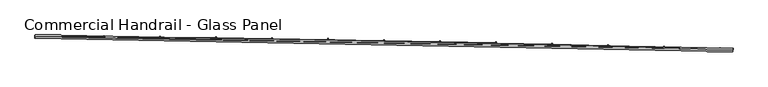
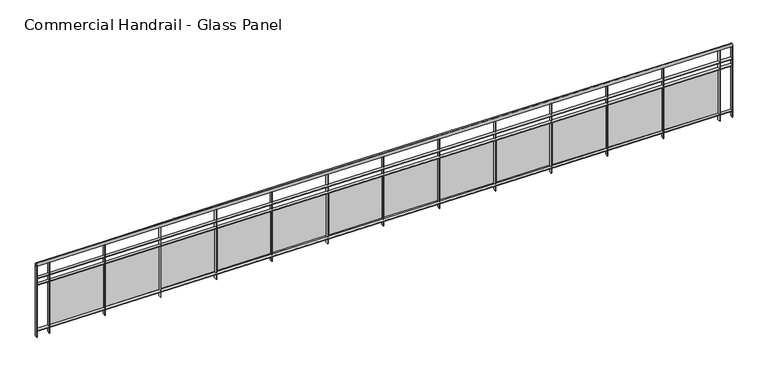
"""IFC4 building model written with IfcOpenShell, lengths in millimetres: railing geometry, Commercial Handrail - Glass Panel."""

from ifc_helpers import new_model, si_unit, point, frame, origin, place, context, project, spatial, polyline, circle_curve, ellipse_curve, trimmed, outline, extrude, source, transform, mapped, element, save
from ifc_brep_helpers import plane_surface, cylinder_surface, revolved_surface, advanced_brep


def commercial_handrail_glass_panel_470b4140(model_context):
    return source(origin(), model_context, "Body", "SolidModel", [
        advanced_brep(
        [(115522.8517456, -6417.9556233, 12882.5), (105560.2865037, -6227.9309844, 12882.5), (105560.2865037, -6227.9309844, 12917.5), (115522.8517456, -6417.9556233, 12917.5)],
        [
            (0, 1, circle_curve(frame((103082.6311781, -397378.3155465, 12882.5), z_axis=(0.0, 0.0, 1.0), x_axis=(0.006334151056266869, 0.9999799390639776, 0.0)), 391158.2315624)),
            (1, 2, ellipse_curve(frame((105560.2865037, -6227.9309844, 12900.0), z_axis=(0.9999799390639776, -0.0063341510562733554, 0.0), x_axis=(-0.0063341510562733554, -0.9999799390639776, 0.0)), 25.0, 17.5)),
            (2, 3, circle_curve(frame((103082.6311781, -397378.3155465, 12917.5), z_axis=(0.0, 0.0, -1.0), x_axis=(0.006334151056266869, 0.9999799390639776, 0.0)), 391158.2315624)),
            (3, 0, ellipse_curve(frame((115522.8517456, -6417.9556233, 12900.0), z_axis=(-0.9994941391404732, 0.031803550491167454, 0.0), x_axis=(-0.031803550491167454, -0.9994941391404732, 0.0)), 25.0, 17.5)),
            (2, 1, ellipse_curve(frame((105560.2865037, -6227.9309844, 12900.0), z_axis=(0.9999799390639776, -0.0063341510562733554, 0.0), x_axis=(-0.0063341510562733554, -0.9999799390639776, 0.0)), 25.0, 17.5)),
            (0, 3, ellipse_curve(frame((115522.8517456, -6417.9556233, 12900.0), z_axis=(-0.9994941391404732, 0.031803550491167454, 0.0), x_axis=(-0.031803550491167454, -0.9994941391404732, 0.0)), 25.0, 17.5)),
        ],
        [
            revolved_surface(trimmed(ellipse_curve(frame((105560.2865037, -6227.9309844, 12900.0), z_axis=(-0.9999799390639776, 0.006334151056266869, 0.0), x_axis=(0.0, 0.0, -1.0)), 17.5, 25.0), [point((105560.2865037, -6227.9309844, 12917.5))], [point((105560.2865037, -6227.9309844, 12882.5))], True, "CARTESIAN"), (103082.6311781, -397378.3155465, 12900.0), (0.0, 0.0, -1.0)),
            revolved_surface(trimmed(ellipse_curve(frame((105560.2865037, -6227.9309844, 12900.0), z_axis=(-0.9999799390639776, 0.006334151056266869, 0.0), x_axis=(0.0, 0.0, -1.0)), 17.5, 25.0), [point((105560.2865037, -6227.9309844, 12882.5))], [point((105560.2865037, -6227.9309844, 12917.5))], True, "CARTESIAN"), (103082.6311781, -397378.3155465, 12900.0), (0.0, 0.0, -1.0)),
            plane_surface(frame((105560.2865037, -6227.9309844, 12900.0), z_axis=(-0.9999799390639776, 0.006334151056266869, 0.0), x_axis=(0.006334151056266869, 0.9999799390639776, 0.0))),
            plane_surface(frame((115522.8517456, -6417.9556233, 12900.0), z_axis=(0.9994941391404732, -0.031803550491167405, 0.0), x_axis=(0.031803550491167405, 0.9994941391404732, 0.0))),
        ],
        [
            (0, [[1, 2, 3, 4]]),
            (1, [[-3, 5, -1, 6]]),
            (2, [[-2, -5]]),
            (3, [[-6, -4]]),
        ],
    ),
        advanced_brep(
        [(115523.5673255, -6395.4670052, 12700.0), (105560.4290221, -6205.4314357, 12700.0), (105560.1439853, -6250.430533, 12700.0), (115522.1361657, -6440.4442415, 12700.0), (115523.5673255, -6395.4670052, 12694.0), (105560.4290221, -6205.4314357, 12694.0), (115522.1361657, -6440.4442415, 12694.0), (105560.1439853, -6250.430533, 12694.0)],
        [
            (0, 1, circle_curve(frame((103082.6311781, -397378.3155465, 12700.0), z_axis=(0.0, 0.0, 1.0), x_axis=(0.006334151056266869, 0.9999799390639776, 0.0)), 391180.7315624)),
            (1, 2),
            (2, 3, circle_curve(frame((103082.6311781, -397378.3155465, 12700.0), z_axis=(0.0, 0.0, -1.0), x_axis=(0.006334151056266869, 0.9999799390639776, 0.0)), 391135.7315624)),
            (3, 0),
            (4, 5, circle_curve(frame((103082.6311781, -397378.3155465, 12694.0), z_axis=(0.0, 0.0, 1.0), x_axis=(0.006334151056266869, 0.9999799390639776, 0.0)), 391180.7315624)),
            (5, 1),
            (0, 4),
            (6, 7, circle_curve(frame((103082.6311781, -397378.3155465, 12694.0), z_axis=(0.0, 0.0, 1.0), x_axis=(0.006334151056266869, 0.9999799390639776, 0.0)), 391135.7315624)),
            (7, 5),
            (4, 6),
            (2, 7),
            (6, 3),
        ],
        [
            plane_surface(frame((103082.6311781, -397378.3155465, 12700.0), z_axis=(0.0, 0.0, 1.0), x_axis=(0.006334151056266869, 0.9999799390639776, 0.0))),
            cylinder_surface(frame((103082.6311781, -397378.3155465, 12700.0), z_axis=(0.0, 0.0, -1.0), x_axis=(0.006334151056266869, 0.9999799390639776, 0.0)), 391180.7315624),
            plane_surface(frame((103082.6311781, -397378.3155465, 12694.0), z_axis=(0.0, 0.0, -1.0), x_axis=(0.006334151056266869, 0.9999799390639776, 0.0))),
            revolved_surface(polyline([(105560.1439853197, -6250.43053298688, 12694.0), (105560.1439853197, -6250.43053298688, 12700.0)]), (103082.6311781, -397378.3155465, 12700.0), (0.0, 0.0, -1.0)),
            plane_surface(frame((105560.2865037, -6227.9309844, 12700.0), z_axis=(-0.9999799390639776, 0.006334151056266869, 0.0), x_axis=(0.006334151056266869, 0.9999799390639776, 0.0))),
            plane_surface(frame((115522.8517456, -6417.9556233, 12700.0), z_axis=(0.9994941391404732, -0.031803550491167405, 0.0), x_axis=(0.031803550491167405, 0.9994941391404732, 0.0))),
        ],
        [
            (0, [[1, 2, 3, 4]]),
            (1, [[5, 6, -1, 7]]),
            (2, [[8, 9, -5, 10]]),
            (3, [[-3, 11, -8, 12]]),
            (4, [[-2, -6, -9, -11]]),
            (5, [[-12, -10, -7, -4]]),
        ],
    ),
        advanced_brep(
        [(115523.5673255, -6395.4670052, 12600.0), (105560.4290221, -6205.4314357, 12600.0), (105560.1439853, -6250.430533, 12600.0), (115522.1361657, -6440.4442415, 12600.0), (115523.5673255, -6395.4670052, 12594.0), (105560.4290221, -6205.4314357, 12594.0), (115522.1361657, -6440.4442415, 12594.0), (105560.1439853, -6250.430533, 12594.0)],
        [
            (0, 1, circle_curve(frame((103082.6311781, -397378.3155465, 12600.0), z_axis=(0.0, 0.0, 1.0), x_axis=(0.006334151056266869, 0.9999799390639776, 0.0)), 391180.7315624)),
            (1, 2),
            (2, 3, circle_curve(frame((103082.6311781, -397378.3155465, 12600.0), z_axis=(0.0, 0.0, -1.0), x_axis=(0.006334151056266869, 0.9999799390639776, 0.0)), 391135.7315624)),
            (3, 0),
            (4, 5, circle_curve(frame((103082.6311781, -397378.3155465, 12594.0), z_axis=(0.0, 0.0, 1.0), x_axis=(0.006334151056266869, 0.9999799390639776, 0.0)), 391180.7315624)),
            (5, 1),
            (0, 4),
            (6, 7, circle_curve(frame((103082.6311781, -397378.3155465, 12594.0), z_axis=(0.0, 0.0, 1.0), x_axis=(0.006334151056266869, 0.9999799390639776, 0.0)), 391135.7315624)),
            (7, 5),
            (4, 6),
            (2, 7),
            (6, 3),
        ],
        [
            plane_surface(frame((103082.6311781, -397378.3155465, 12600.0), z_axis=(0.0, 0.0, 1.0), x_axis=(0.006334151056266869, 0.9999799390639776, 0.0))),
            cylinder_surface(frame((103082.6311781, -397378.3155465, 12600.0), z_axis=(0.0, 0.0, -1.0), x_axis=(0.006334151056266869, 0.9999799390639776, 0.0)), 391180.7315624),
            plane_surface(frame((103082.6311781, -397378.3155465, 12594.0), z_axis=(0.0, 0.0, -1.0), x_axis=(0.006334151056266869, 0.9999799390639776, 0.0))),
            revolved_surface(polyline([(105560.1439853197, -6250.43053298688, 12594.0), (105560.1439853197, -6250.43053298688, 12600.0)]), (103082.6311781, -397378.3155465, 12600.0), (0.0, 0.0, -1.0)),
            plane_surface(frame((105560.2865037, -6227.9309844, 12600.0), z_axis=(-0.9999799390639776, 0.006334151056266869, 0.0), x_axis=(0.006334151056266869, 0.9999799390639776, 0.0))),
            plane_surface(frame((115522.8517456, -6417.9556233, 12600.0), z_axis=(0.9994941391404732, -0.031803550491167405, 0.0), x_axis=(0.031803550491167405, 0.9994941391404732, 0.0))),
        ],
        [
            (0, [[1, 2, 3, 4]]),
            (1, [[5, 6, -1, 7]]),
            (2, [[8, 9, -5, 10]]),
            (3, [[-3, 11, -8, 12]]),
            (4, [[-2, -6, -9, -11]]),
            (5, [[-12, -10, -7, -4]]),
        ],
    ),
        advanced_brep(
        [(115523.5673255, -6395.4670052, 11900.0), (105560.4290221, -6205.4314357, 11900.0), (105560.1439853, -6250.430533, 11900.0), (115522.1361657, -6440.4442415, 11900.0), (115523.5673255, -6395.4670052, 11894.0), (105560.4290221, -6205.4314357, 11894.0), (115522.1361657, -6440.4442415, 11894.0), (105560.1439853, -6250.430533, 11894.0)],
        [
            (0, 1, circle_curve(frame((103082.6311781, -397378.3155465, 11900.0), z_axis=(0.0, 0.0, 1.0), x_axis=(0.006334151056266869, 0.9999799390639776, 0.0)), 391180.7315624)),
            (1, 2),
            (2, 3, circle_curve(frame((103082.6311781, -397378.3155465, 11900.0), z_axis=(0.0, 0.0, -1.0), x_axis=(0.006334151056266869, 0.9999799390639776, 0.0)), 391135.7315624)),
            (3, 0),
            (4, 5, circle_curve(frame((103082.6311781, -397378.3155465, 11894.0), z_axis=(0.0, 0.0, 1.0), x_axis=(0.006334151056266869, 0.9999799390639776, 0.0)), 391180.7315624)),
            (5, 1),
            (0, 4),
            (6, 7, circle_curve(frame((103082.6311781, -397378.3155465, 11894.0), z_axis=(0.0, 0.0, 1.0), x_axis=(0.006334151056266869, 0.9999799390639776, 0.0)), 391135.7315624)),
            (7, 5),
            (4, 6),
            (2, 7),
            (6, 3),
        ],
        [
            plane_surface(frame((103082.6311781, -397378.3155465, 11900.0), z_axis=(0.0, 0.0, 1.0), x_axis=(0.006334151056266869, 0.9999799390639776, 0.0))),
            cylinder_surface(frame((103082.6311781, -397378.3155465, 11900.0), z_axis=(0.0, 0.0, -1.0), x_axis=(0.006334151056266869, 0.9999799390639776, 0.0)), 391180.7315624),
            plane_surface(frame((103082.6311781, -397378.3155465, 11894.0), z_axis=(0.0, 0.0, -1.0), x_axis=(0.006334151056266869, 0.9999799390639776, 0.0))),
            revolved_surface(polyline([(105560.1439853197, -6250.43053298688, 11894.0), (105560.1439853197, -6250.43053298688, 11900.0)]), (103082.6311781, -397378.3155465, 11900.0), (0.0, 0.0, -1.0)),
            plane_surface(frame((105560.2865037, -6227.9309844, 11900.0), z_axis=(-0.9999799390639776, 0.006334151056266869, 0.0), x_axis=(0.006334151056266869, 0.9999799390639776, 0.0))),
            plane_surface(frame((115522.8517456, -6417.9556233, 11900.0), z_axis=(0.9994941391404732, -0.031803550491167405, 0.0), x_axis=(0.031803550491167405, 0.9994941391404732, 0.0))),
        ],
        [
            (0, [[1, 2, 3, 4]]),
            (1, [[5, 6, -1, 7]]),
            (2, [[8, 9, -5, 10]]),
            (3, [[-3, 11, -8, 12]]),
            (4, [[-2, -6, -9, -11]]),
            (5, [[-12, -10, -7, -4]]),
        ],
    ),
        extrude(outline(polyline([(115336.915621, -6434.5944988), (115338.3258162, -6389.6166003), (115344.3228693, -6389.8046263), (115342.9126741, -6434.7825248), (115336.915621, -6434.5944988)])), frame((0.0, 0.0, 11800.0), z_axis=(0.0, 0.0, 1.0), x_axis=(1.0, 0.0, 0.0)), (0.0, 0.0, 1.0), 1082.1192282),
        extrude(outline(polyline([(114561.1659135, -6382.3517641), (115320.8166008, -6405.3915845), (115320.4528141, -6417.3860691), (114560.8021269, -6394.3462486), (114561.1659135, -6382.3517641)])), frame((0.0, 0.0, 11920.0), z_axis=(0.0, 0.0, 1.0), x_axis=(1.0, 0.0, 0.0)), (0.0, 0.0, 1.0), 660.0),
        extrude(outline(polyline([(114537.329268, -6410.3495883), (114538.6474712, -6365.3688997), (114544.6448963, -6365.5446602), (114543.3266931, -6410.5253487), (114537.329268, -6410.3495883)])), frame((0.0, 0.0, 11800.0), z_axis=(0.0, 0.0, 1.0), x_axis=(1.0, 0.0, 0.0)), (0.0, 0.0, 1.0), 1082.1192282),
        extrude(outline(polyline([(113761.4743357, -6359.6935314), (114521.1705554, -6381.1796609), (114520.8313008, -6393.1748644), (113761.1350811, -6371.6887348), (113761.4743357, -6359.6935314)])), frame((0.0, 0.0, 11920.0), z_axis=(0.0, 0.0, 1.0), x_axis=(1.0, 0.0, 0.0)), (0.0, 0.0, 1.0), 660.0),
        extrude(outline(polyline([(113737.6950014, -6387.7400478), (113738.921207, -6342.7567574), (113744.9189791, -6342.9202515), (113743.6927735, -6387.9035419), (113737.6950014, -6387.7400478)])), frame((0.0, 0.0, 11800.0), z_axis=(0.0, 0.0, 1.0), x_axis=(1.0, 0.0, 0.0)), (0.0, 0.0, 1.0), 1082.1192282),
        extrude(outline(polyline([(112961.7380897, -6338.6708806), (113721.4766641, -6358.6032294), (113721.1619428, -6370.5991017), (112961.4233684, -6350.6667528), (112961.7380897, -6338.6708806)])), frame((0.0, 0.0, 11920.0), z_axis=(0.0, 0.0, 1.0), x_axis=(1.0, 0.0, 0.0)), (0.0, 0.0, 1.0), 660.0),
        extrude(outline(polyline([(112938.0161661, -6366.7659721), (112939.150369, -6321.7802679), (112945.1484629, -6321.9314949), (112944.0142599, -6366.9171991), (112938.0161661, -6366.7659721)])), frame((0.0, 0.0, 11800.0), z_axis=(0.0, 0.0, 1.0), x_axis=(1.0, 0.0, 0.0)), (0.0, 0.0, 1.0), 1082.1192282),
        extrude(outline(polyline([(112161.9605206, -6319.2838998), (112921.7382719, -6337.6623845), (112921.4480853, -6349.6588753), (112161.670334, -6331.2803906), (112161.9605206, -6319.2838998)])), frame((0.0, 0.0, 11920.0), z_axis=(0.0, 0.0, 1.0), x_axis=(1.0, 0.0, 0.0)), (0.0, 0.0, 1.0), 660.0),
        extrude(outline(polyline([(112138.2961068, -6347.4274487), (112139.3383023, -6302.4395189), (112145.3366929, -6302.5784783), (112144.2944975, -6347.5664081), (112138.2961068, -6347.4274487)])), frame((0.0, 0.0, 11800.0), z_axis=(0.0, 0.0, 1.0), x_axis=(1.0, 0.0, 0.0)), (0.0, 0.0, 1.0), 1082.1192282),
        extrude(outline(polyline([(111362.1449738, -6301.5326699), (112121.9587238, -6318.3572136), (112121.6930731, -6330.3542728), (111361.8793231, -6313.5297291), (111362.1449738, -6301.5326699)])), frame((0.0, 0.0, 11920.0), z_axis=(0.0, 0.0, 1.0), x_axis=(1.0, 0.0, 0.0)), (0.0, 0.0, 1.0), 660.0),
        extrude(outline(polyline([(111338.5381689, -6329.7245586), (111339.4883526, -6284.7345914), (111345.4870149, -6284.8612825), (111344.5368312, -6329.8512498), (111338.5381689, -6329.7245586)])), frame((0.0, 0.0, 11800.0), z_axis=(0.0, 0.0, 1.0), x_axis=(1.0, 0.0, 0.0)), (0.0, 0.0, 1.0), 1082.1192282),
        extrude(outline(polyline([(110562.2947948, -6285.4172653), (111322.1413654, -6300.6877976), (111321.9002518, -6312.6853751), (110562.0536812, -6297.4148427), (110562.2947948, -6285.4172653)])), frame((0.0, 0.0, 11920.0), z_axis=(0.0, 0.0, 1.0), x_axis=(1.0, 0.0, 0.0)), (0.0, 0.0, 1.0), 660.0),
        extrude(outline(polyline([(110538.7456975, -6313.6573759), (110539.6038654, -6268.6655594), (110545.6027743, -6268.7799818), (110544.7446064, -6313.7717982), (110538.7456975, -6313.6573759)])), frame((0.0, 0.0, 11800.0), z_axis=(0.0, 0.0, 1.0), x_axis=(1.0, 0.0, 0.0)), (0.0, 0.0, 1.0), 1082.1192282),
        extrude(outline(polyline([(109762.4133294, -6270.9377534), (110522.2895422, -6284.6542105), (110522.0729666, -6296.6522559), (109762.1967537, -6282.9357988), (109762.4133294, -6270.9377534)])), frame((0.0, 0.0, 11920.0), z_axis=(0.0, 0.0, 1.0), x_axis=(1.0, 0.0, 0.0)), (0.0, 0.0, 1.0), 660.0),
        extrude(outline(polyline([(109738.9220382, -6299.2259676), (109739.6881867, -6254.2324901), (109745.6873171, -6254.3346433), (109744.9211685, -6299.3281208), (109738.9220382, -6299.2259676)])), frame((0.0, 0.0, 11800.0), z_axis=(0.0, 0.0, 1.0), x_axis=(1.0, 0.0, 0.0)), (0.0, 0.0, 1.0), 1082.1192282),
        extrude(outline(polyline([(108962.5039232, -6258.0941947), (109722.4065998, -6270.2565191), (109722.2145631, -6282.2549825), (108962.3118865, -6270.092658), (108962.5039232, -6258.0941947)])), frame((0.0, 0.0, 11920.0), z_axis=(0.0, 0.0, 1.0), x_axis=(1.0, 0.0, 0.0)), (0.0, 0.0, 1.0), 660.0),
        extrude(outline(polyline([(108939.0705364, -6286.4303943), (108939.7446624, -6241.435444), (108945.7439891, -6241.5253275), (108945.0698631, -6286.5202778), (108939.0705364, -6286.4303943)])), frame((0.0, 0.0, 11800.0), z_axis=(0.0, 0.0, 1.0), x_axis=(1.0, 0.0, 0.0)), (0.0, 0.0, 1.0), 1082.1192282),
        extrude(outline(polyline([(108162.5699223, -6246.8866429), (108922.495884, -6257.4947839), (108922.3283871, -6269.4936149), (108162.4024253, -6258.8854739), (108162.5699223, -6246.8866429)])), frame((0.0, 0.0, 11920.0), z_axis=(0.0, 0.0, 1.0), x_axis=(1.0, 0.0, 0.0)), (0.0, 0.0, 1.0), 660.0),
        extrude(outline(polyline([(108139.1945379, -6275.2707094), (108139.7766385, -6230.2744745), (108145.7761365, -6230.3520879), (108145.1940359, -6275.3483228), (108139.1945379, -6275.2707094)])), frame((0.0, 0.0, 11800.0), z_axis=(0.0, 0.0, 1.0), x_axis=(1.0, 0.0, 0.0)), (0.0, 0.0, 1.0), 1082.1192282),
        extrude(outline(polyline([(107362.6146726, -6237.315145), (108122.5607409, -6246.3690581), (108122.4177843, -6258.3682066), (107362.4717161, -6249.3142934), (107362.6146726, -6237.315145)])), frame((0.0, 0.0, 11920.0), z_axis=(0.0, 0.0, 1.0), x_axis=(1.0, 0.0, 0.0)), (0.0, 0.0, 1.0), 660.0),
        extrude(outline(polyline([(107339.2973884, -6265.7469596), (107339.7874611, -6220.7496283), (107345.7871053, -6220.8149713), (107345.2970326, -6265.8123027), (107339.2973884, -6265.7469596)])), frame((0.0, 0.0, 11800.0), z_axis=(0.0, 0.0, 1.0), x_axis=(1.0, 0.0, 0.0)), (0.0, 0.0, 1.0), 1082.1192282),
        extrude(outline(polyline([(106562.6415203, -6229.3797409), (107322.6045163, -6236.8793883), (107322.4861008, -6248.878804), (106562.5231048, -6241.3791567), (106562.6415203, -6229.3797409)])), frame((0.0, 0.0, 11920.0), z_axis=(0.0, 0.0, 1.0), x_axis=(1.0, 0.0, 0.0)), (0.0, 0.0, 1.0), 660.0),
        extrude(outline(polyline([(106539.3824338, -6257.8591848), (106539.7804767, -6212.8609452), (106545.7802419, -6212.9140176), (106545.382199, -6257.9122572), (106539.3824338, -6257.8591848)])), frame((0.0, 0.0, 11800.0), z_axis=(0.0, 0.0, 1.0), x_axis=(1.0, 0.0, 0.0)), (0.0, 0.0, 1.0), 1082.1192282),
        extrude(outline(polyline([(105762.6538115, -6223.080464), (106522.6305564, -6229.0258142), (106522.5366825, -6241.025447), (105762.5599376, -6235.0800968), (105762.6538115, -6223.080464)])), frame((0.0, 0.0, 11920.0), z_axis=(0.0, 0.0, 1.0), x_axis=(1.0, 0.0, 0.0)), (0.0, 0.0, 1.0), 660.0),
        extrude(outline(polyline([(105739.45302, -6251.6074179), (105739.7590314, -6206.6084583), (105745.7588926, -6206.6492599), (105745.4528813, -6251.6482194), (105739.45302, -6251.6074179)])), frame((0.0, 0.0, 11800.0), z_axis=(0.0, 0.0, 1.0), x_axis=(1.0, 0.0, 0.0)), (0.0, 0.0, 1.0), 1082.1192282),
        extrude(outline(polyline([(115519.1376833, -6440.3488308), (115520.5688431, -6395.3715946), (115526.5658079, -6395.5624159), (115525.1346482, -6440.5396521), (115519.1376833, -6440.3488308)])), frame((0.0, 0.0, 11800.0), z_axis=(0.0, 0.0, 1.0), x_axis=(1.0, 0.0, 0.0)), (0.0, 0.0, 1.0), 1082.1192282),
        extrude(outline(polyline([(105557.1440455, -6250.4115305), (105557.4290823, -6205.4124333), (105563.4289619, -6205.4504382), (105563.1439251, -6250.4495354), (105557.1440455, -6250.4115305)])), frame((0.0, 0.0, 11800.0), z_axis=(0.0, 0.0, 1.0), x_axis=(1.0, 0.0, 0.0)), (0.0, 0.0, 1.0), 1082.1192282),
    ])


if __name__ == "__main__":
    model = new_model("IFC4")
    model_context = context("Model", 3, world=origin())
    ifc_project = project(units=[si_unit("LENGTHUNIT", "METRE", prefix="MILLI")], contexts=[model_context])
    site = spatial("IfcSite", under=ifc_project)
    building = spatial("IfcBuilding", under=site)
    placement = place(None, origin())
    commercial_handrail_glass_panel_shape = commercial_handrail_glass_panel_470b4140(model_context)
    element("IfcRailing", 1, ObjectType="Commercial Handrail - Glass Panel", at=placement, inside=building, context=model_context, shape_type="MappedRepresentation", body=[
        mapped(commercial_handrail_glass_panel_shape, transform((0.0, 0.0, 0.0), x_axis=(1.0, 0.0, 0.0), y_axis=(0.0, 1.0, 0.0), z_axis=(0.0, 0.0, 1.0))),
    ])
    save(model, "model.ifc")
